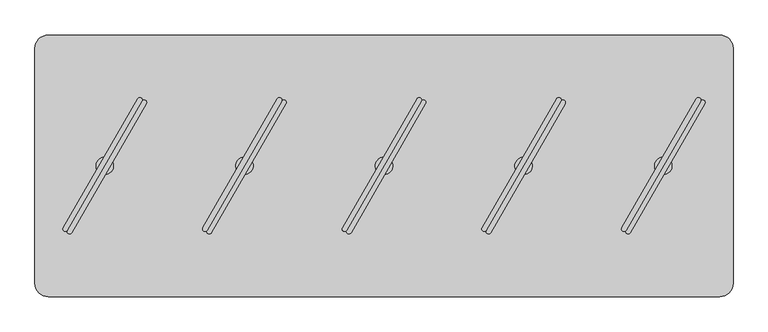
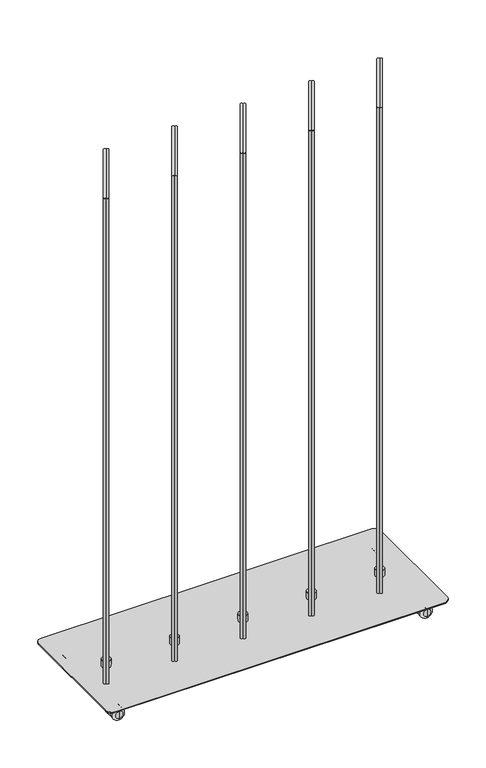
"""IFC4 building model written with IfcOpenShell, lengths in millimetres: furniture geometry."""

from ifc_helpers import new_model, si_unit, point, frame, frame_2d, origin, place, context, project, spatial, polyline, circle_curve, ellipse_curve, trimmed, segment, composite_curve, outline, extrude, source, transform, mapped, element, save
from ifc_brep_helpers import plane_surface, cylinder_surface, revolved_surface, advanced_brep


def furniture_83b708d8(model_context):
    return source(origin(), model_context, "Body", "SolidModel", [
        extrude(outline(composite_curve([segment(polyline([(340.6144903, -160.9427833), (447.2724107, 23.7941539)]), True, "CONTINUOUS"), segment(trimmed(circle_curve(frame_2d((450.3034289, 22.0441947)), 3.4999184), [point((447.2724107, 23.7941539))], [point((453.3344472, 20.2942356))], False, "CARTESIAN"), True, "CONTINUOUS"), segment(polyline([(453.3344472, 20.2942356), (346.6765267, -164.4427017)]), True, "CONTINUOUS"), segment(trimmed(circle_curve(frame_2d((343.6455085, -162.6927425)), 3.4999184), [point((346.6765267, -164.4427017))], [point((340.6144903, -160.9427833))], False, "CARTESIAN"), True, "CONTINUOUS")], self_intersect=False)), frame((0.0, 0.0, 80.7339983), z_axis=(0.0, 0.0, 1.0), x_axis=(1.0, 0.0, 0.0)), (0.0, 0.0, 1.0), 1500.124),
        extrude(outline(composite_curve([segment(trimmed(circle_curve(frame_2d((349.707545, -166.1926609)), 3.4999184), [point((352.7385632, -167.9426201))], [point((346.6765267, -164.4427017))], False, "CARTESIAN"), True, "CONTINUOUS"), segment(polyline([(346.6765267, -164.4427017), (453.3344472, 20.2942356)]), True, "CONTINUOUS"), segment(trimmed(circle_curve(frame_2d((456.3654654, 18.5442764)), 3.4999184), [point((453.3344472, 20.2942356))], [point((459.3964836, 16.7943172))], False, "CARTESIAN"), True, "CONTINUOUS"), segment(polyline([(459.3964836, 16.7943172), (352.7385632, -167.9426201)]), True, "CONTINUOUS")], self_intersect=False)), frame((0.0, 0.0, 80.7339983), z_axis=(0.0, 0.0, 1.0), x_axis=(1.0, 0.0, 0.0)), (0.0, 0.0, 1.0), 1500.124),
        advanced_brep(
        [(399.9992, -84.5709522, 80.7339983), (399.9992, -59.5748171, 80.7339983), (399.9992, -59.5748171, 59.9975986), (399.9992, -84.5709522, 59.9975986), (399.9992, -72.0728847, 80.7339983), (399.9992, -72.0728847, 59.9975986)],
        [
            (0, 1, circle_curve(frame((399.9992, -72.0728847, 80.7339983), z_axis=(0.0, 0.0, -1.0), x_axis=(0.0, 1.0, 0.0)), 12.4980675)),
            (1, 2),
            (2, 3, circle_curve(frame((399.9992, -72.0728847, 59.9975986), z_axis=(0.0, 0.0, 1.0), x_axis=(0.0, 1.0, 0.0)), 12.4980675)),
            (3, 0),
            (4, 1),
            (0, 4),
            (0, 1, circle_curve(frame((399.9992, -72.0728847, 80.7339983), z_axis=(0.0, 0.0, 1.0), x_axis=(0.0, 1.0, 0.0)), 12.4980675)),
            (2, 5),
            (5, 3),
            (2, 3, circle_curve(frame((399.9992, -72.0728847, 59.9975986), z_axis=(0.0, 0.0, -1.0), x_axis=(0.0, 1.0, 0.0)), 12.4980675)),
        ],
        [
            cylinder_surface(frame((399.9992, -72.0728847, 88.2747758), z_axis=(0.0, 0.0, 1.0), x_axis=(0.0, 1.0, 0.0)), 12.4980675),
            plane_surface(frame((399.9992, -72.0728847, 80.7339983), z_axis=(0.0, 0.0, 1.0), x_axis=(0.0, 1.0, 0.0))),
            plane_surface(frame((399.9992, -72.0728847, 59.9975986), z_axis=(0.0, 0.0, -1.0), x_axis=(0.0, 1.0, 0.0))),
        ],
        [
            (0, [[1, 2, 3, 4]]),
            (1, [[5, -1, 6]]),
            (1, [[-6, 7, -5]]),
            (2, [[-3, 8, 9]]),
            (2, [[10, -9, -8]]),
            (0, [[-7, -4, -10, -2]]),
        ],
    ),
        extrude(outline(composite_curve([segment(polyline([(140.6148903, -160.9427833), (247.2728107, 23.7941539)]), True, "CONTINUOUS"), segment(trimmed(circle_curve(frame_2d((250.3038289, 22.0441947)), 3.4999184), [point((247.2728107, 23.7941539))], [point((253.3348472, 20.2942356))], False, "CARTESIAN"), True, "CONTINUOUS"), segment(polyline([(253.3348472, 20.2942356), (146.6769267, -164.4427017)]), True, "CONTINUOUS"), segment(trimmed(circle_curve(frame_2d((143.6459085, -162.6927425)), 3.4999184), [point((146.6769267, -164.4427017))], [point((140.6148903, -160.9427833))], False, "CARTESIAN"), True, "CONTINUOUS")], self_intersect=False)), frame((0.0, 0.0, 80.7339983), z_axis=(0.0, 0.0, 1.0), x_axis=(1.0, 0.0, 0.0)), (0.0, 0.0, 1.0), 1500.124),
        extrude(outline(composite_curve([segment(trimmed(circle_curve(frame_2d((149.707945, -166.1926609)), 3.4999184), [point((152.7389632, -167.9426201))], [point((146.6769267, -164.4427017))], False, "CARTESIAN"), True, "CONTINUOUS"), segment(polyline([(146.6769267, -164.4427017), (253.3348472, 20.2942356)]), True, "CONTINUOUS"), segment(trimmed(circle_curve(frame_2d((256.3658654, 18.5442764)), 3.4999184), [point((253.3348472, 20.2942356))], [point((259.3968836, 16.7943172))], False, "CARTESIAN"), True, "CONTINUOUS"), segment(polyline([(259.3968836, 16.7943172), (152.7389632, -167.9426201)]), True, "CONTINUOUS")], self_intersect=False)), frame((0.0, 0.0, 80.7339983), z_axis=(0.0, 0.0, 1.0), x_axis=(1.0, 0.0, 0.0)), (0.0, 0.0, 1.0), 1500.124),
        advanced_brep(
        [(199.9996, -84.5709522, 80.7339983), (199.9996, -59.5748171, 80.7339983), (199.9996, -59.5748171, 59.9975986), (199.9996, -84.5709522, 59.9975986), (199.9996, -72.0728847, 80.7339983), (199.9996, -72.0728847, 59.9975986)],
        [
            (0, 1, circle_curve(frame((199.9996, -72.0728847, 80.7339983), z_axis=(0.0, 0.0, -1.0), x_axis=(0.0, 1.0, 0.0)), 12.4980675)),
            (1, 2),
            (2, 3, circle_curve(frame((199.9996, -72.0728847, 59.9975986), z_axis=(0.0, 0.0, 1.0), x_axis=(0.0, 1.0, 0.0)), 12.4980675)),
            (3, 0),
            (4, 1),
            (0, 4),
            (0, 1, circle_curve(frame((199.9996, -72.0728847, 80.7339983), z_axis=(0.0, 0.0, 1.0), x_axis=(0.0, 1.0, 0.0)), 12.4980675)),
            (2, 5),
            (5, 3),
            (2, 3, circle_curve(frame((199.9996, -72.0728847, 59.9975986), z_axis=(0.0, 0.0, -1.0), x_axis=(0.0, 1.0, 0.0)), 12.4980675)),
        ],
        [
            cylinder_surface(frame((199.9996, -72.0728847, 88.2747758), z_axis=(0.0, 0.0, 1.0), x_axis=(0.0, 1.0, 0.0)), 12.4980675),
            plane_surface(frame((199.9996, -72.0728847, 80.7339983), z_axis=(0.0, 0.0, 1.0), x_axis=(0.0, 1.0, 0.0))),
            plane_surface(frame((199.9996, -72.0728847, 59.9975986), z_axis=(0.0, 0.0, -1.0), x_axis=(0.0, 1.0, 0.0))),
        ],
        [
            (0, [[1, 2, 3, 4]]),
            (1, [[5, -1, 6]]),
            (1, [[-6, 7, -5]]),
            (2, [[-3, 8, 9]]),
            (2, [[10, -9, -8]]),
            (0, [[-7, -4, -10, -2]]),
        ],
    ),
        extrude(outline(composite_curve([segment(polyline([(-459.3839097, -160.9427833), (-352.7259893, 23.7941539)]), True, "CONTINUOUS"), segment(trimmed(circle_curve(frame_2d((-349.6949711, 22.0441947)), 3.4999184), [point((-352.7259893, 23.7941539))], [point((-346.6639528, 20.2942356))], False, "CARTESIAN"), True, "CONTINUOUS"), segment(polyline([(-346.6639528, 20.2942356), (-453.3218733, -164.4427017)]), True, "CONTINUOUS"), segment(trimmed(circle_curve(frame_2d((-456.3528915, -162.6927425)), 3.4999184), [point((-453.3218733, -164.4427017))], [point((-459.3839097, -160.9427833))], False, "CARTESIAN"), True, "CONTINUOUS")], self_intersect=False)), frame((0.0, 0.0, 80.7339983), z_axis=(0.0, 0.0, 1.0), x_axis=(1.0, 0.0, 0.0)), (0.0, 0.0, 1.0), 1500.124),
        extrude(outline(composite_curve([segment(trimmed(circle_curve(frame_2d((-450.290855, -166.1926609)), 3.4999184), [point((-447.2598368, -167.9426201))], [point((-453.3218733, -164.4427017))], False, "CARTESIAN"), True, "CONTINUOUS"), segment(polyline([(-453.3218733, -164.4427017), (-346.6639528, 20.2942356)]), True, "CONTINUOUS"), segment(trimmed(circle_curve(frame_2d((-343.6329346, 18.5442764)), 3.4999184), [point((-346.6639528, 20.2942356))], [point((-340.6019164, 16.7943172))], False, "CARTESIAN"), True, "CONTINUOUS"), segment(polyline([(-340.6019164, 16.7943172), (-447.2598368, -167.9426201)]), True, "CONTINUOUS")], self_intersect=False)), frame((0.0, 0.0, 80.7339983), z_axis=(0.0, 0.0, 1.0), x_axis=(1.0, 0.0, 0.0)), (0.0, 0.0, 1.0), 1500.124),
        advanced_brep(
        [(-399.9992, -84.5709522, 80.7339983), (-399.9992, -59.5748171, 80.7339983), (-399.9992, -59.5748171, 59.9975986), (-399.9992, -84.5709522, 59.9975986), (-399.9992, -72.0728847, 80.7339983), (-399.9992, -72.0728847, 59.9975986)],
        [
            (0, 1, circle_curve(frame((-399.9992, -72.0728847, 80.7339983), z_axis=(0.0, 0.0, -1.0), x_axis=(0.0, 1.0, 0.0)), 12.4980675)),
            (1, 2),
            (2, 3, circle_curve(frame((-399.9992, -72.0728847, 59.9975986), z_axis=(0.0, 0.0, 1.0), x_axis=(0.0, 1.0, 0.0)), 12.4980675)),
            (3, 0),
            (4, 1),
            (0, 4),
            (0, 1, circle_curve(frame((-399.9992, -72.0728847, 80.7339983), z_axis=(0.0, 0.0, 1.0), x_axis=(0.0, 1.0, 0.0)), 12.4980675)),
            (2, 5),
            (5, 3),
            (2, 3, circle_curve(frame((-399.9992, -72.0728847, 59.9975986), z_axis=(0.0, 0.0, -1.0), x_axis=(0.0, 1.0, 0.0)), 12.4980675)),
        ],
        [
            cylinder_surface(frame((-399.9992, -72.0728847, 88.2747758), z_axis=(0.0, 0.0, 1.0), x_axis=(0.0, 1.0, 0.0)), 12.4980675),
            plane_surface(frame((-399.9992, -72.0728847, 80.7339983), z_axis=(0.0, 0.0, 1.0), x_axis=(0.0, 1.0, 0.0))),
            plane_surface(frame((-399.9992, -72.0728847, 59.9975986), z_axis=(0.0, 0.0, -1.0), x_axis=(0.0, 1.0, 0.0))),
        ],
        [
            (0, [[1, 2, 3, 4]]),
            (1, [[5, -1, 6]]),
            (1, [[-6, 7, -5]]),
            (2, [[-3, 8, 9]]),
            (2, [[10, -9, -8]]),
            (0, [[-7, -4, -10, -2]]),
        ],
    ),
        extrude(outline(composite_curve([segment(polyline([(-59.3847097, -160.9427833), (47.2732107, 23.7941539)]), True, "CONTINUOUS"), segment(trimmed(circle_curve(frame_2d((50.3042289, 22.0441947)), 3.4999184), [point((47.2732107, 23.7941539))], [point((53.3352472, 20.2942356))], False, "CARTESIAN"), True, "CONTINUOUS"), segment(polyline([(53.3352472, 20.2942356), (-53.3226733, -164.4427017)]), True, "CONTINUOUS"), segment(trimmed(circle_curve(frame_2d((-56.3536915, -162.6927425)), 3.4999184), [point((-53.3226733, -164.4427017))], [point((-59.3847097, -160.9427833))], False, "CARTESIAN"), True, "CONTINUOUS")], self_intersect=False)), frame((0.0, 0.0, 80.7339983), z_axis=(0.0, 0.0, 1.0), x_axis=(1.0, 0.0, 0.0)), (0.0, 0.0, 1.0), 1500.124),
        extrude(outline(composite_curve([segment(trimmed(circle_curve(frame_2d((-50.291655, -166.1926609)), 3.4999184), [point((-47.2606368, -167.9426201))], [point((-53.3226733, -164.4427017))], False, "CARTESIAN"), True, "CONTINUOUS"), segment(polyline([(-53.3226733, -164.4427017), (53.3352472, 20.2942356)]), True, "CONTINUOUS"), segment(trimmed(circle_curve(frame_2d((56.3662654, 18.5442764)), 3.4999184), [point((53.3352472, 20.2942356))], [point((59.3972836, 16.7943172))], False, "CARTESIAN"), True, "CONTINUOUS"), segment(polyline([(59.3972836, 16.7943172), (-47.2606368, -167.9426201)]), True, "CONTINUOUS")], self_intersect=False)), frame((0.0, 0.0, 80.7339983), z_axis=(0.0, 0.0, 1.0), x_axis=(1.0, 0.0, 0.0)), (0.0, 0.0, 1.0), 1500.124),
        advanced_brep(
        [(0.0, -84.5709522, 80.7339983), (0.0, -59.5748171, 80.7339983), (0.0, -59.5748171, 59.9975986), (0.0, -84.5709522, 59.9975986), (0.0, -72.0728847, 80.7339983), (0.0, -72.0728847, 59.9975986)],
        [
            (0, 1, circle_curve(frame((0.0, -72.0728847, 80.7339983), z_axis=(0.0, 0.0, -1.0), x_axis=(0.0, 1.0, 0.0)), 12.4980675)),
            (1, 2),
            (2, 3, circle_curve(frame((0.0, -72.0728847, 59.9975986), z_axis=(0.0, 0.0, 1.0), x_axis=(0.0, 1.0, 0.0)), 12.4980675)),
            (3, 0),
            (4, 1),
            (0, 4),
            (0, 1, circle_curve(frame((0.0, -72.0728847, 80.7339983), z_axis=(0.0, 0.0, 1.0), x_axis=(0.0, 1.0, 0.0)), 12.4980675)),
            (2, 5),
            (5, 3),
            (2, 3, circle_curve(frame((0.0, -72.0728847, 59.9975986), z_axis=(0.0, 0.0, -1.0), x_axis=(0.0, 1.0, 0.0)), 12.4980675)),
        ],
        [
            cylinder_surface(frame((0.0, -72.0728847, 88.2747758), z_axis=(0.0, 0.0, 1.0), x_axis=(0.0, 1.0, 0.0)), 12.4980675),
            plane_surface(frame((0.0, -72.0728847, 80.7339983), z_axis=(0.0, 0.0, 1.0), x_axis=(0.0, 1.0, 0.0))),
            plane_surface(frame((0.0, -72.0728847, 59.9975986), z_axis=(0.0, 0.0, -1.0), x_axis=(0.0, 1.0, 0.0))),
        ],
        [
            (0, [[1, 2, 3, 4]]),
            (1, [[5, -1, 6]]),
            (1, [[-6, 7, -5]]),
            (2, [[-3, 8, 9]]),
            (2, [[10, -9, -8]]),
            (0, [[-7, -4, -10, -2]]),
        ],
    ),
        extrude(outline(composite_curve([segment(polyline([(-259.3843097, -160.9427833), (-152.7263893, 23.7941539)]), True, "CONTINUOUS"), segment(trimmed(circle_curve(frame_2d((-149.6953711, 22.0441947)), 3.4999184), [point((-152.7263893, 23.7941539))], [point((-146.6643528, 20.2942356))], False, "CARTESIAN"), True, "CONTINUOUS"), segment(polyline([(-146.6643528, 20.2942356), (-253.3222733, -164.4427017)]), True, "CONTINUOUS"), segment(trimmed(circle_curve(frame_2d((-256.3532915, -162.6927425)), 3.4999184), [point((-253.3222733, -164.4427017))], [point((-259.3843097, -160.9427833))], False, "CARTESIAN"), True, "CONTINUOUS")], self_intersect=False)), frame((0.0, 0.0, 80.7339983), z_axis=(0.0, 0.0, 1.0), x_axis=(1.0, 0.0, 0.0)), (0.0, 0.0, 1.0), 1500.124),
        extrude(outline(composite_curve([segment(trimmed(circle_curve(frame_2d((-250.291255, -166.1926609)), 3.4999184), [point((-247.2602368, -167.9426201))], [point((-253.3222733, -164.4427017))], False, "CARTESIAN"), True, "CONTINUOUS"), segment(polyline([(-253.3222733, -164.4427017), (-146.6643528, 20.2942356)]), True, "CONTINUOUS"), segment(trimmed(circle_curve(frame_2d((-143.6333346, 18.5442764)), 3.4999184), [point((-146.6643528, 20.2942356))], [point((-140.6023164, 16.7943172))], False, "CARTESIAN"), True, "CONTINUOUS"), segment(polyline([(-140.6023164, 16.7943172), (-247.2602368, -167.9426201)]), True, "CONTINUOUS")], self_intersect=False)), frame((0.0, 0.0, 80.7339983), z_axis=(0.0, 0.0, 1.0), x_axis=(1.0, 0.0, 0.0)), (0.0, 0.0, 1.0), 1500.124),
        advanced_brep(
        [(-199.9996, -84.5709522, 80.7339983), (-199.9996, -59.5748171, 80.7339983), (-199.9996, -59.5748171, 59.9975986), (-199.9996, -84.5709522, 59.9975986), (-199.9996, -72.0728847, 80.7339983), (-199.9996, -72.0728847, 59.9975986)],
        [
            (0, 1, circle_curve(frame((-199.9996, -72.0728847, 80.7339983), z_axis=(0.0, 0.0, -1.0), x_axis=(0.0, 1.0, 0.0)), 12.4980675)),
            (1, 2),
            (2, 3, circle_curve(frame((-199.9996, -72.0728847, 59.9975986), z_axis=(0.0, 0.0, 1.0), x_axis=(0.0, 1.0, 0.0)), 12.4980675)),
            (3, 0),
            (4, 1),
            (0, 4),
            (0, 1, circle_curve(frame((-199.9996, -72.0728847, 80.7339983), z_axis=(0.0, 0.0, 1.0), x_axis=(0.0, 1.0, 0.0)), 12.4980675)),
            (2, 5),
            (5, 3),
            (2, 3, circle_curve(frame((-199.9996, -72.0728847, 59.9975986), z_axis=(0.0, 0.0, -1.0), x_axis=(0.0, 1.0, 0.0)), 12.4980675)),
        ],
        [
            cylinder_surface(frame((-199.9996, -72.0728847, 88.2747758), z_axis=(0.0, 0.0, 1.0), x_axis=(0.0, 1.0, 0.0)), 12.4980675),
            plane_surface(frame((-199.9996, -72.0728847, 80.7339983), z_axis=(0.0, 0.0, 1.0), x_axis=(0.0, 1.0, 0.0))),
            plane_surface(frame((-199.9996, -72.0728847, 59.9975986), z_axis=(0.0, 0.0, -1.0), x_axis=(0.0, 1.0, 0.0))),
        ],
        [
            (0, [[1, 2, 3, 4]]),
            (1, [[5, -1, 6]]),
            (1, [[-6, 7, -5]]),
            (2, [[-3, 8, 9]]),
            (2, [[10, -9, -8]]),
            (0, [[-7, -4, -10, -2]]),
        ],
    ),
        advanced_brep(
        [(450.0227698, -206.2418204, 45.0000013), (450.0227698, -203.51056, 45.0000013), (450.0227698, -208.9730808, 45.0000013), (450.0227698, -208.9730808, 20.9698569), (450.0227698, -203.51056, 20.9698569), (450.0227698, -206.2418204, 20.9698569)],
        [
            (0, 1),
            (1, 2, circle_curve(frame((450.0227698, -206.2418204, 45.0000013), z_axis=(0.0, 0.0, 1.0), x_axis=(0.0, 1.0, 0.0)), 2.7312604)),
            (2, 0),
            (2, 1, circle_curve(frame((450.0227698, -206.2418204, 45.0000013), z_axis=(0.0, 0.0, 1.0), x_axis=(0.0, 1.0, 0.0)), 2.7312604)),
            (3, 4, circle_curve(frame((450.0227698, -206.2418204, 20.9698569), z_axis=(0.0, 0.0, -1.0), x_axis=(0.0, 1.0, 0.0)), 2.7312604)),
            (4, 5),
            (5, 3),
            (4, 3, circle_curve(frame((450.0227698, -206.2418204, 20.9698569), z_axis=(0.0, 0.0, -1.0), x_axis=(0.0, 1.0, 0.0)), 2.7312604)),
            (1, 4),
            (3, 2),
        ],
        [
            plane_surface(frame((450.0227698, -206.2418204, 45.0000013), z_axis=(0.0, 0.0, 1.0), x_axis=(0.0, 1.0, 0.0))),
            plane_surface(frame((450.0227698, -206.2418204, 20.9698569), z_axis=(0.0, 0.0, -1.0), x_axis=(0.0, 1.0, 0.0))),
            cylinder_surface(frame((450.0227698, -206.2418204, 53.5051757), z_axis=(0.0, 0.0, 1.0), x_axis=(0.0, 1.0, 0.0)), 2.7312604),
        ],
        [
            (0, [[1, 2, 3]]),
            (0, [[-3, 4, -1]]),
            (1, [[5, 6, 7]]),
            (1, [[8, -7, -6]]),
            (2, [[-2, 9, -5, 10]]),
            (2, [[-4, -10, -8, -9]]),
        ],
    ),
        advanced_brep(
        [(450.0227698, -187.2418219, 6.35), (450.0227698, -187.2418219, 29.650001), (450.0227698, -187.2418219, 18.0000005), (450.0227698, -193.5918219, 0.0), (450.0227698, -193.5918219, 36.000001), (450.0227698, -199.2418207, 0.0), (450.0227698, -199.2418207, 36.000001), (450.0227698, -199.2418207, 11.0000008), (450.0227698, -199.2418207, 25.0000002), (450.0227698, -213.2418246, 11.0000008), (450.0227698, -213.2418246, 25.0000002), (450.0227698, -213.2418246, 0.0), (450.0227698, -213.2418246, 36.000001), (450.0227698, -218.8918189, 0.0), (450.0227698, -218.8918189, 36.000001), (450.0227698, -225.2418189, 6.35), (450.0227698, -225.2418189, 29.650001), (450.0227698, -225.2418189, 18.0000005)],
        [
            (0, 1, circle_curve(frame((450.0227698, -187.2418219, 18.0000005), z_axis=(0.0, 1.0, 0.0), x_axis=(0.0, 0.0, 1.0)), 11.6500005)),
            (1, 2),
            (2, 0),
            (1, 0, circle_curve(frame((450.0227698, -187.2418219, 18.0000005), z_axis=(0.0, 1.0, 0.0), x_axis=(0.0, 0.0, 1.0)), 11.6500005)),
            (3, 4, circle_curve(frame((450.0227698, -193.5918219, 18.0000005), z_axis=(0.0, 1.0, 0.0), x_axis=(0.0, 0.0, 1.0)), 18.0000005)),
            (4, 1, circle_curve(frame((450.0227698, -193.5918219, 29.650001), z_axis=(-1.0, 0.0, 0.0), x_axis=(0.0, 1.0, 0.0)), 6.35)),
            (0, 3, circle_curve(frame((450.0227698, -193.5918219, 6.35), z_axis=(-1.0, 0.0, 0.0), x_axis=(0.0, 1.0, 0.0)), 6.35)),
            (4, 3, circle_curve(frame((450.0227698, -193.5918219, 18.0000005), z_axis=(0.0, 1.0, 0.0), x_axis=(0.0, 0.0, 1.0)), 18.0000005)),
            (5, 6, circle_curve(frame((450.0227698, -199.2418207, 18.0000005), z_axis=(0.0, 1.0, 0.0), x_axis=(0.0, 0.0, 1.0)), 18.0000005)),
            (6, 4),
            (3, 5),
            (6, 5, circle_curve(frame((450.0227698, -199.2418207, 18.0000005), z_axis=(0.0, 1.0, 0.0), x_axis=(0.0, 0.0, 1.0)), 18.0000005)),
            (7, 8, circle_curve(frame((450.0227698, -199.2418207, 18.0000005), z_axis=(0.0, 1.0, 0.0), x_axis=(0.0, 0.0, 1.0)), 6.9999997)),
            (8, 6),
            (5, 7),
            (8, 7, circle_curve(frame((450.0227698, -199.2418207, 18.0000005), z_axis=(0.0, 1.0, 0.0), x_axis=(0.0, 0.0, 1.0)), 6.9999997)),
            (9, 10, circle_curve(frame((450.0227698, -213.2418246, 18.0000005), z_axis=(0.0, 1.0, 0.0), x_axis=(0.0, 0.0, 1.0)), 6.9999997)),
            (10, 8),
            (7, 9),
            (10, 9, circle_curve(frame((450.0227698, -213.2418246, 18.0000005), z_axis=(0.0, 1.0, 0.0), x_axis=(0.0, 0.0, 1.0)), 6.9999997)),
            (11, 12, circle_curve(frame((450.0227698, -213.2418246, 18.0000005), z_axis=(0.0, 1.0, 0.0), x_axis=(0.0, 0.0, 1.0)), 18.0000005)),
            (12, 10),
            (9, 11),
            (12, 11, circle_curve(frame((450.0227698, -213.2418246, 18.0000005), z_axis=(0.0, 1.0, 0.0), x_axis=(0.0, 0.0, 1.0)), 18.0000005)),
            (13, 14, circle_curve(frame((450.0227698, -218.8918189, 18.0000005), z_axis=(0.0, 1.0, 0.0), x_axis=(0.0, 0.0, 1.0)), 18.0000005)),
            (14, 12),
            (11, 13),
            (14, 13, circle_curve(frame((450.0227698, -218.8918189, 18.0000005), z_axis=(0.0, 1.0, 0.0), x_axis=(0.0, 0.0, 1.0)), 18.0000005)),
            (15, 16, circle_curve(frame((450.0227698, -225.2418189, 18.0000005), z_axis=(0.0, 1.0, 0.0), x_axis=(0.0, 0.0, 1.0)), 11.6500005)),
            (16, 14, circle_curve(frame((450.0227698, -218.8918189, 29.650001), z_axis=(-1.0, 0.0, 0.0), x_axis=(0.0, 1.0, 0.0)), 6.35)),
            (13, 15, circle_curve(frame((450.0227698, -218.8918189, 6.35), z_axis=(-1.0, 0.0, 0.0), x_axis=(0.0, 1.0, 0.0)), 6.35)),
            (16, 15, circle_curve(frame((450.0227698, -225.2418189, 18.0000005), z_axis=(0.0, 1.0, 0.0), x_axis=(0.0, 0.0, 1.0)), 11.6500005)),
            (17, 16),
            (15, 17),
        ],
        [
            plane_surface(frame((450.0227698, -187.2418219, 18.0000005), z_axis=(0.0, 1.0, 0.0), x_axis=(0.0, 0.0, 1.0))),
            revolved_surface(trimmed(ellipse_curve(frame((450.0227698, -193.5918219, 29.650001), z_axis=(1.0, 0.0, 0.0), x_axis=(0.0, 1.0, 0.0)), 6.35, 6.35), [point((450.0227698, -187.2418219, 29.650001))], [point((450.0227698, -193.5918219, 36.000001))], True, "CARTESIAN"), (450.0227698, -263.3418189, 18.0000005), (0.0, -1.0, 0.0)),
            cylinder_surface(frame((450.0227698, -263.3418189, 18.0000005), z_axis=(0.0, -1.0, 0.0), x_axis=(0.0, 0.0, 1.0)), 18.0000005),
            plane_surface(frame((450.0227698, -199.2418207, 18.0000005), z_axis=(0.0, -1.0, 0.0), x_axis=(0.0, 0.0, 1.0))),
            cylinder_surface(frame((450.0227698, -263.3418189, 18.0000005), z_axis=(0.0, -1.0, 0.0), x_axis=(0.0, 0.0, 1.0)), 6.9999997),
            plane_surface(frame((450.0227698, -213.2418246, 18.0000005), z_axis=(0.0, 1.0, 0.0), x_axis=(0.0, 0.0, 1.0))),
            revolved_surface(trimmed(ellipse_curve(frame((450.0227698, -218.8918189, 29.650001), z_axis=(1.0, 0.0, 0.0), x_axis=(0.0, 1.0, 0.0)), 6.35, 6.35), [point((450.0227698, -218.8918189, 36.000001))], [point((450.0227698, -225.2418189, 29.650001))], True, "CARTESIAN"), (450.0227698, -263.3418189, 18.0000005), (0.0, -1.0, 0.0)),
            plane_surface(frame((450.0227698, -225.2418189, 18.0000005), z_axis=(0.0, -1.0, 0.0), x_axis=(0.0, 0.0, 1.0))),
        ],
        [
            (0, [[1, 2, 3]]),
            (0, [[4, -3, -2]]),
            (1, [[5, 6, -1, 7]]),
            (1, [[8, -7, -4, -6]]),
            (2, [[9, 10, -5, 11]]),
            (2, [[12, -11, -8, -10]]),
            (3, [[13, 14, -9, 15]]),
            (3, [[16, -15, -12, -14]]),
            (4, [[17, 18, -13, 19]]),
            (4, [[20, -19, -16, -18]]),
            (5, [[21, 22, -17, 23]]),
            (5, [[24, -23, -20, -22]]),
            (2, [[25, 26, -21, 27]]),
            (2, [[28, -27, -24, -26]]),
            (6, [[29, 30, -25, 31]]),
            (6, [[32, -31, -28, -30]]),
            (7, [[33, -29, 34]]),
            (7, [[-34, -32, -33]]),
        ],
    ),
        advanced_brep(
        [(450.0227698, 62.0960511, 45.0000013), (450.0227698, 64.8273115, 45.0000013), (450.0227698, 59.3647906, 45.0000013), (450.0227698, 59.3647906, 20.9698569), (450.0227698, 64.8273115, 20.9698569), (450.0227698, 62.0960511, 20.9698569)],
        [
            (0, 1),
            (1, 2, circle_curve(frame((450.0227698, 62.0960511, 45.0000013), z_axis=(0.0, 0.0, 1.0), x_axis=(0.0, 1.0, 0.0)), 2.7312604)),
            (2, 0),
            (2, 1, circle_curve(frame((450.0227698, 62.0960511, 45.0000013), z_axis=(0.0, 0.0, 1.0), x_axis=(0.0, 1.0, 0.0)), 2.7312604)),
            (3, 4, circle_curve(frame((450.0227698, 62.0960511, 20.9698569), z_axis=(0.0, 0.0, -1.0), x_axis=(0.0, 1.0, 0.0)), 2.7312604)),
            (4, 5),
            (5, 3),
            (4, 3, circle_curve(frame((450.0227698, 62.0960511, 20.9698569), z_axis=(0.0, 0.0, -1.0), x_axis=(0.0, 1.0, 0.0)), 2.7312604)),
            (1, 4),
            (3, 2),
        ],
        [
            plane_surface(frame((450.0227698, 62.0960511, 45.0000013), z_axis=(0.0, 0.0, 1.0), x_axis=(0.0, 1.0, 0.0))),
            plane_surface(frame((450.0227698, 62.0960511, 20.9698569), z_axis=(0.0, 0.0, -1.0), x_axis=(0.0, 1.0, 0.0))),
            cylinder_surface(frame((450.0227698, 62.0960511, 53.5051757), z_axis=(0.0, 0.0, 1.0), x_axis=(0.0, 1.0, 0.0)), 2.7312604),
        ],
        [
            (0, [[1, 2, 3]]),
            (0, [[-3, 4, -1]]),
            (1, [[5, 6, 7]]),
            (1, [[8, -7, -6]]),
            (2, [[-2, 9, -5, 10]]),
            (2, [[-4, -10, -8, -9]]),
        ],
    ),
        advanced_brep(
        [(450.0227698, 81.0960496, 6.35), (450.0227698, 81.0960496, 29.650001), (450.0227698, 81.0960496, 18.0000005), (450.0227698, 74.7460496, 0.0), (450.0227698, 74.7460496, 36.000001), (450.0227698, 69.0960507, 0.0), (450.0227698, 69.0960507, 36.000001), (450.0227698, 69.0960507, 11.0000008), (450.0227698, 69.0960507, 25.0000002), (450.0227698, 55.0960468, 11.0000008), (450.0227698, 55.0960468, 25.0000002), (450.0227698, 55.0960468, 0.0), (450.0227698, 55.0960468, 36.000001), (450.0227698, 49.4460525, 0.0), (450.0227698, 49.4460525, 36.000001), (450.0227698, 43.0960525, 6.35), (450.0227698, 43.0960525, 29.650001), (450.0227698, 43.0960525, 18.0000005)],
        [
            (0, 1, circle_curve(frame((450.0227698, 81.0960496, 18.0000005), z_axis=(0.0, 1.0, 0.0), x_axis=(0.0, 0.0, 1.0)), 11.6500005)),
            (1, 2),
            (2, 0),
            (1, 0, circle_curve(frame((450.0227698, 81.0960496, 18.0000005), z_axis=(0.0, 1.0, 0.0), x_axis=(0.0, 0.0, 1.0)), 11.6500005)),
            (3, 4, circle_curve(frame((450.0227698, 74.7460496, 18.0000005), z_axis=(0.0, 1.0, 0.0), x_axis=(0.0, 0.0, 1.0)), 18.0000005)),
            (4, 1, circle_curve(frame((450.0227698, 74.7460496, 29.650001), z_axis=(-1.0, 0.0, 0.0), x_axis=(0.0, 1.0, 0.0)), 6.35)),
            (0, 3, circle_curve(frame((450.0227698, 74.7460496, 6.35), z_axis=(-1.0, 0.0, 0.0), x_axis=(0.0, 1.0, 0.0)), 6.35)),
            (4, 3, circle_curve(frame((450.0227698, 74.7460496, 18.0000005), z_axis=(0.0, 1.0, 0.0), x_axis=(0.0, 0.0, 1.0)), 18.0000005)),
            (5, 6, circle_curve(frame((450.0227698, 69.0960507, 18.0000005), z_axis=(0.0, 1.0, 0.0), x_axis=(0.0, 0.0, 1.0)), 18.0000005)),
            (6, 4),
            (3, 5),
            (6, 5, circle_curve(frame((450.0227698, 69.0960507, 18.0000005), z_axis=(0.0, 1.0, 0.0), x_axis=(0.0, 0.0, 1.0)), 18.0000005)),
            (7, 8, circle_curve(frame((450.0227698, 69.0960507, 18.0000005), z_axis=(0.0, 1.0, 0.0), x_axis=(0.0, 0.0, 1.0)), 6.9999997)),
            (8, 6),
            (5, 7),
            (8, 7, circle_curve(frame((450.0227698, 69.0960507, 18.0000005), z_axis=(0.0, 1.0, 0.0), x_axis=(0.0, 0.0, 1.0)), 6.9999997)),
            (9, 10, circle_curve(frame((450.0227698, 55.0960468, 18.0000005), z_axis=(0.0, 1.0, 0.0), x_axis=(0.0, 0.0, 1.0)), 6.9999997)),
            (10, 8),
            (7, 9),
            (10, 9, circle_curve(frame((450.0227698, 55.0960468, 18.0000005), z_axis=(0.0, 1.0, 0.0), x_axis=(0.0, 0.0, 1.0)), 6.9999997)),
            (11, 12, circle_curve(frame((450.0227698, 55.0960468, 18.0000005), z_axis=(0.0, 1.0, 0.0), x_axis=(0.0, 0.0, 1.0)), 18.0000005)),
            (12, 10),
            (9, 11),
            (12, 11, circle_curve(frame((450.0227698, 55.0960468, 18.0000005), z_axis=(0.0, 1.0, 0.0), x_axis=(0.0, 0.0, 1.0)), 18.0000005)),
            (13, 14, circle_curve(frame((450.0227698, 49.4460525, 18.0000005), z_axis=(0.0, 1.0, 0.0), x_axis=(0.0, 0.0, 1.0)), 18.0000005)),
            (14, 12),
            (11, 13),
            (14, 13, circle_curve(frame((450.0227698, 49.4460525, 18.0000005), z_axis=(0.0, 1.0, 0.0), x_axis=(0.0, 0.0, 1.0)), 18.0000005)),
            (15, 16, circle_curve(frame((450.0227698, 43.0960525, 18.0000005), z_axis=(0.0, 1.0, 0.0), x_axis=(0.0, 0.0, 1.0)), 11.6500005)),
            (16, 14, circle_curve(frame((450.0227698, 49.4460525, 29.650001), z_axis=(-1.0, 0.0, 0.0), x_axis=(0.0, 1.0, 0.0)), 6.35)),
            (13, 15, circle_curve(frame((450.0227698, 49.4460525, 6.35), z_axis=(-1.0, 0.0, 0.0), x_axis=(0.0, 1.0, 0.0)), 6.35)),
            (16, 15, circle_curve(frame((450.0227698, 43.0960525, 18.0000005), z_axis=(0.0, 1.0, 0.0), x_axis=(0.0, 0.0, 1.0)), 11.6500005)),
            (17, 16),
            (15, 17),
        ],
        [
            plane_surface(frame((450.0227698, 81.0960496, 18.0000005), z_axis=(0.0, 1.0, 0.0), x_axis=(0.0, 0.0, 1.0))),
            revolved_surface(trimmed(ellipse_curve(frame((450.0227698, 74.7460496, 29.650001), z_axis=(1.0, 0.0, 0.0), x_axis=(0.0, 1.0, 0.0)), 6.35, 6.35), [point((450.0227698, 81.0960496, 29.650001))], [point((450.0227698, 74.7460496, 36.000001))], True, "CARTESIAN"), (450.0227698, 4.9960525, 18.0000005), (0.0, -1.0, 0.0)),
            cylinder_surface(frame((450.0227698, 4.9960525, 18.0000005), z_axis=(0.0, -1.0, 0.0), x_axis=(0.0, 0.0, 1.0)), 18.0000005),
            plane_surface(frame((450.0227698, 69.0960507, 18.0000005), z_axis=(0.0, -1.0, 0.0), x_axis=(0.0, 0.0, 1.0))),
            cylinder_surface(frame((450.0227698, 4.9960525, 18.0000005), z_axis=(0.0, -1.0, 0.0), x_axis=(0.0, 0.0, 1.0)), 6.9999997),
            plane_surface(frame((450.0227698, 55.0960468, 18.0000005), z_axis=(0.0, 1.0, 0.0), x_axis=(0.0, 0.0, 1.0))),
            revolved_surface(trimmed(ellipse_curve(frame((450.0227698, 49.4460525, 29.650001), z_axis=(1.0, 0.0, 0.0), x_axis=(0.0, 1.0, 0.0)), 6.35, 6.35), [point((450.0227698, 49.4460525, 36.000001))], [point((450.0227698, 43.0960525, 29.650001))], True, "CARTESIAN"), (450.0227698, 4.9960525, 18.0000005), (0.0, -1.0, 0.0)),
            plane_surface(frame((450.0227698, 43.0960525, 18.0000005), z_axis=(0.0, -1.0, 0.0), x_axis=(0.0, 0.0, 1.0))),
        ],
        [
            (0, [[1, 2, 3]]),
            (0, [[4, -3, -2]]),
            (1, [[5, 6, -1, 7]]),
            (1, [[8, -7, -4, -6]]),
            (2, [[9, 10, -5, 11]]),
            (2, [[12, -11, -8, -10]]),
            (3, [[13, 14, -9, 15]]),
            (3, [[16, -15, -12, -14]]),
            (4, [[17, 18, -13, 19]]),
            (4, [[20, -19, -16, -18]]),
            (5, [[21, 22, -17, 23]]),
            (5, [[24, -23, -20, -22]]),
            (2, [[25, 26, -21, 27]]),
            (2, [[28, -27, -24, -26]]),
            (6, [[29, 30, -25, 31]]),
            (6, [[32, -31, -28, -30]]),
            (7, [[33, -29, 34]]),
            (7, [[-34, -32, -33]]),
        ],
    ),
        advanced_brep(
        [(-450.0227698, 62.0960511, 45.0000013), (-450.0227698, 64.8273115, 45.0000013), (-450.0227698, 59.3647906, 45.0000013), (-450.0227698, 59.3647906, 20.9698569), (-450.0227698, 64.8273115, 20.9698569), (-450.0227698, 62.0960511, 20.9698569)],
        [
            (0, 1),
            (1, 2, circle_curve(frame((-450.0227698, 62.0960511, 45.0000013), z_axis=(0.0, 0.0, 1.0), x_axis=(0.0, 1.0, 0.0)), 2.7312604)),
            (2, 0),
            (2, 1, circle_curve(frame((-450.0227698, 62.0960511, 45.0000013), z_axis=(0.0, 0.0, 1.0), x_axis=(0.0, 1.0, 0.0)), 2.7312604)),
            (3, 4, circle_curve(frame((-450.0227698, 62.0960511, 20.9698569), z_axis=(0.0, 0.0, -1.0), x_axis=(0.0, 1.0, 0.0)), 2.7312604)),
            (4, 5),
            (5, 3),
            (4, 3, circle_curve(frame((-450.0227698, 62.0960511, 20.9698569), z_axis=(0.0, 0.0, -1.0), x_axis=(0.0, 1.0, 0.0)), 2.7312604)),
            (1, 4),
            (3, 2),
        ],
        [
            plane_surface(frame((-450.0227698, 62.0960511, 45.0000013), z_axis=(0.0, 0.0, 1.0), x_axis=(0.0, 1.0, 0.0))),
            plane_surface(frame((-450.0227698, 62.0960511, 20.9698569), z_axis=(0.0, 0.0, -1.0), x_axis=(0.0, 1.0, 0.0))),
            cylinder_surface(frame((-450.0227698, 62.0960511, 53.5051757), z_axis=(0.0, 0.0, 1.0), x_axis=(0.0, 1.0, 0.0)), 2.7312604),
        ],
        [
            (0, [[1, 2, 3]]),
            (0, [[-3, 4, -1]]),
            (1, [[5, 6, 7]]),
            (1, [[8, -7, -6]]),
            (2, [[-2, 9, -5, 10]]),
            (2, [[-4, -10, -8, -9]]),
        ],
    ),
        advanced_brep(
        [(-450.0227698, 81.0960496, 6.35), (-450.0227698, 81.0960496, 29.650001), (-450.0227698, 81.0960496, 18.0000005), (-450.0227698, 74.7460496, 0.0), (-450.0227698, 74.7460496, 36.000001), (-450.0227698, 69.0960507, 0.0), (-450.0227698, 69.0960507, 36.000001), (-450.0227698, 69.0960507, 11.0000008), (-450.0227698, 69.0960507, 25.0000002), (-450.0227698, 55.0960468, 11.0000008), (-450.0227698, 55.0960468, 25.0000002), (-450.0227698, 55.0960468, 0.0), (-450.0227698, 55.0960468, 36.000001), (-450.0227698, 49.4460525, 0.0), (-450.0227698, 49.4460525, 36.000001), (-450.0227698, 43.0960525, 6.35), (-450.0227698, 43.0960525, 29.650001), (-450.0227698, 43.0960525, 18.0000005)],
        [
            (0, 1, circle_curve(frame((-450.0227698, 81.0960496, 18.0000005), z_axis=(0.0, 1.0, 0.0), x_axis=(0.0, 0.0, 1.0)), 11.6500005)),
            (1, 2),
            (2, 0),
            (1, 0, circle_curve(frame((-450.0227698, 81.0960496, 18.0000005), z_axis=(0.0, 1.0, 0.0), x_axis=(0.0, 0.0, 1.0)), 11.6500005)),
            (3, 4, circle_curve(frame((-450.0227698, 74.7460496, 18.0000005), z_axis=(0.0, 1.0, 0.0), x_axis=(0.0, 0.0, 1.0)), 18.0000005)),
            (4, 1, circle_curve(frame((-450.0227698, 74.7460496, 29.650001), z_axis=(-1.0, 0.0, 0.0), x_axis=(0.0, 1.0, 0.0)), 6.35)),
            (0, 3, circle_curve(frame((-450.0227698, 74.7460496, 6.35), z_axis=(-1.0, 0.0, 0.0), x_axis=(0.0, 1.0, 0.0)), 6.35)),
            (4, 3, circle_curve(frame((-450.0227698, 74.7460496, 18.0000005), z_axis=(0.0, 1.0, 0.0), x_axis=(0.0, 0.0, 1.0)), 18.0000005)),
            (5, 6, circle_curve(frame((-450.0227698, 69.0960507, 18.0000005), z_axis=(0.0, 1.0, 0.0), x_axis=(0.0, 0.0, 1.0)), 18.0000005)),
            (6, 4),
            (3, 5),
            (6, 5, circle_curve(frame((-450.0227698, 69.0960507, 18.0000005), z_axis=(0.0, 1.0, 0.0), x_axis=(0.0, 0.0, 1.0)), 18.0000005)),
            (7, 8, circle_curve(frame((-450.0227698, 69.0960507, 18.0000005), z_axis=(0.0, 1.0, 0.0), x_axis=(0.0, 0.0, 1.0)), 6.9999997)),
            (8, 6),
            (5, 7),
            (8, 7, circle_curve(frame((-450.0227698, 69.0960507, 18.0000005), z_axis=(0.0, 1.0, 0.0), x_axis=(0.0, 0.0, 1.0)), 6.9999997)),
            (9, 10, circle_curve(frame((-450.0227698, 55.0960468, 18.0000005), z_axis=(0.0, 1.0, 0.0), x_axis=(0.0, 0.0, 1.0)), 6.9999997)),
            (10, 8),
            (7, 9),
            (10, 9, circle_curve(frame((-450.0227698, 55.0960468, 18.0000005), z_axis=(0.0, 1.0, 0.0), x_axis=(0.0, 0.0, 1.0)), 6.9999997)),
            (11, 12, circle_curve(frame((-450.0227698, 55.0960468, 18.0000005), z_axis=(0.0, 1.0, 0.0), x_axis=(0.0, 0.0, 1.0)), 18.0000005)),
            (12, 10),
            (9, 11),
            (12, 11, circle_curve(frame((-450.0227698, 55.0960468, 18.0000005), z_axis=(0.0, 1.0, 0.0), x_axis=(0.0, 0.0, 1.0)), 18.0000005)),
            (13, 14, circle_curve(frame((-450.0227698, 49.4460525, 18.0000005), z_axis=(0.0, 1.0, 0.0), x_axis=(0.0, 0.0, 1.0)), 18.0000005)),
            (14, 12),
            (11, 13),
            (14, 13, circle_curve(frame((-450.0227698, 49.4460525, 18.0000005), z_axis=(0.0, 1.0, 0.0), x_axis=(0.0, 0.0, 1.0)), 18.0000005)),
            (15, 16, circle_curve(frame((-450.0227698, 43.0960525, 18.0000005), z_axis=(0.0, 1.0, 0.0), x_axis=(0.0, 0.0, 1.0)), 11.6500005)),
            (16, 14, circle_curve(frame((-450.0227698, 49.4460525, 29.650001), z_axis=(-1.0, 0.0, 0.0), x_axis=(0.0, 1.0, 0.0)), 6.35)),
            (13, 15, circle_curve(frame((-450.0227698, 49.4460525, 6.35), z_axis=(-1.0, 0.0, 0.0), x_axis=(0.0, 1.0, 0.0)), 6.35)),
            (16, 15, circle_curve(frame((-450.0227698, 43.0960525, 18.0000005), z_axis=(0.0, 1.0, 0.0), x_axis=(0.0, 0.0, 1.0)), 11.6500005)),
            (17, 16),
            (15, 17),
        ],
        [
            plane_surface(frame((-450.0227698, 81.0960496, 18.0000005), z_axis=(0.0, 1.0, 0.0), x_axis=(0.0, 0.0, 1.0))),
            revolved_surface(trimmed(ellipse_curve(frame((-450.0227698, 74.7460496, 29.650001), z_axis=(1.0, 0.0, 0.0), x_axis=(0.0, 1.0, 0.0)), 6.35, 6.35), [point((-450.0227698, 81.0960496, 29.650001))], [point((-450.0227698, 74.7460496, 36.000001))], True, "CARTESIAN"), (-450.0227698, 4.9960525, 18.0000005), (0.0, -1.0, 0.0)),
            cylinder_surface(frame((-450.0227698, 4.9960525, 18.0000005), z_axis=(0.0, -1.0, 0.0), x_axis=(0.0, 0.0, 1.0)), 18.0000005),
            plane_surface(frame((-450.0227698, 69.0960507, 18.0000005), z_axis=(0.0, -1.0, 0.0), x_axis=(0.0, 0.0, 1.0))),
            cylinder_surface(frame((-450.0227698, 4.9960525, 18.0000005), z_axis=(0.0, -1.0, 0.0), x_axis=(0.0, 0.0, 1.0)), 6.9999997),
            plane_surface(frame((-450.0227698, 55.0960468, 18.0000005), z_axis=(0.0, 1.0, 0.0), x_axis=(0.0, 0.0, 1.0))),
            revolved_surface(trimmed(ellipse_curve(frame((-450.0227698, 49.4460525, 29.650001), z_axis=(1.0, 0.0, 0.0), x_axis=(0.0, 1.0, 0.0)), 6.35, 6.35), [point((-450.0227698, 49.4460525, 36.000001))], [point((-450.0227698, 43.0960525, 29.650001))], True, "CARTESIAN"), (-450.0227698, 4.9960525, 18.0000005), (0.0, -1.0, 0.0)),
            plane_surface(frame((-450.0227698, 43.0960525, 18.0000005), z_axis=(0.0, -1.0, 0.0), x_axis=(0.0, 0.0, 1.0))),
        ],
        [
            (0, [[1, 2, 3]]),
            (0, [[4, -3, -2]]),
            (1, [[5, 6, -1, 7]]),
            (1, [[8, -7, -4, -6]]),
            (2, [[9, 10, -5, 11]]),
            (2, [[12, -11, -8, -10]]),
            (3, [[13, 14, -9, 15]]),
            (3, [[16, -15, -12, -14]]),
            (4, [[17, 18, -13, 19]]),
            (4, [[20, -19, -16, -18]]),
            (5, [[21, 22, -17, 23]]),
            (5, [[24, -23, -20, -22]]),
            (2, [[25, 26, -21, 27]]),
            (2, [[28, -27, -24, -26]]),
            (6, [[29, 30, -25, 31]]),
            (6, [[32, -31, -28, -30]]),
            (7, [[33, -29, 34]]),
            (7, [[-34, -32, -33]]),
        ],
    ),
        advanced_brep(
        [(-450.0227698, -206.2418204, 45.0000013), (-450.0227698, -203.51056, 45.0000013), (-450.0227698, -208.9730808, 45.0000013), (-450.0227698, -208.9730808, 20.9698569), (-450.0227698, -203.51056, 20.9698569), (-450.0227698, -206.2418204, 20.9698569)],
        [
            (0, 1),
            (1, 2, circle_curve(frame((-450.0227698, -206.2418204, 45.0000013), z_axis=(0.0, 0.0, 1.0), x_axis=(0.0, 1.0, 0.0)), 2.7312604)),
            (2, 0),
            (2, 1, circle_curve(frame((-450.0227698, -206.2418204, 45.0000013), z_axis=(0.0, 0.0, 1.0), x_axis=(0.0, 1.0, 0.0)), 2.7312604)),
            (3, 4, circle_curve(frame((-450.0227698, -206.2418204, 20.9698569), z_axis=(0.0, 0.0, -1.0), x_axis=(0.0, 1.0, 0.0)), 2.7312604)),
            (4, 5),
            (5, 3),
            (4, 3, circle_curve(frame((-450.0227698, -206.2418204, 20.9698569), z_axis=(0.0, 0.0, -1.0), x_axis=(0.0, 1.0, 0.0)), 2.7312604)),
            (1, 4),
            (3, 2),
        ],
        [
            plane_surface(frame((-450.0227698, -206.2418204, 45.0000013), z_axis=(0.0, 0.0, 1.0), x_axis=(0.0, 1.0, 0.0))),
            plane_surface(frame((-450.0227698, -206.2418204, 20.9698569), z_axis=(0.0, 0.0, -1.0), x_axis=(0.0, 1.0, 0.0))),
            cylinder_surface(frame((-450.0227698, -206.2418204, 53.5051757), z_axis=(0.0, 0.0, 1.0), x_axis=(0.0, 1.0, 0.0)), 2.7312604),
        ],
        [
            (0, [[1, 2, 3]]),
            (0, [[-3, 4, -1]]),
            (1, [[5, 6, 7]]),
            (1, [[8, -7, -6]]),
            (2, [[-2, 9, -5, 10]]),
            (2, [[-4, -10, -8, -9]]),
        ],
    ),
        advanced_brep(
        [(-450.0227698, -187.2418219, 6.35), (-450.0227698, -187.2418219, 29.650001), (-450.0227698, -187.2418219, 18.0000005), (-450.0227698, -193.5918219, 0.0), (-450.0227698, -193.5918219, 36.000001), (-450.0227698, -199.2418207, 0.0), (-450.0227698, -199.2418207, 36.000001), (-450.0227698, -199.2418207, 11.0000008), (-450.0227698, -199.2418207, 25.0000002), (-450.0227698, -213.2418246, 11.0000008), (-450.0227698, -213.2418246, 25.0000002), (-450.0227698, -213.2418246, 0.0), (-450.0227698, -213.2418246, 36.000001), (-450.0227698, -218.8918189, 0.0), (-450.0227698, -218.8918189, 36.000001), (-450.0227698, -225.2418189, 6.35), (-450.0227698, -225.2418189, 29.650001), (-450.0227698, -225.2418189, 18.0000005)],
        [
            (0, 1, circle_curve(frame((-450.0227698, -187.2418219, 18.0000005), z_axis=(0.0, 1.0, 0.0), x_axis=(0.0, 0.0, 1.0)), 11.6500005)),
            (1, 2),
            (2, 0),
            (1, 0, circle_curve(frame((-450.0227698, -187.2418219, 18.0000005), z_axis=(0.0, 1.0, 0.0), x_axis=(0.0, 0.0, 1.0)), 11.6500005)),
            (3, 4, circle_curve(frame((-450.0227698, -193.5918219, 18.0000005), z_axis=(0.0, 1.0, 0.0), x_axis=(0.0, 0.0, 1.0)), 18.0000005)),
            (4, 1, circle_curve(frame((-450.0227698, -193.5918219, 29.650001), z_axis=(-1.0, 0.0, 0.0), x_axis=(0.0, 1.0, 0.0)), 6.35)),
            (0, 3, circle_curve(frame((-450.0227698, -193.5918219, 6.35), z_axis=(-1.0, 0.0, 0.0), x_axis=(0.0, 1.0, 0.0)), 6.35)),
            (4, 3, circle_curve(frame((-450.0227698, -193.5918219, 18.0000005), z_axis=(0.0, 1.0, 0.0), x_axis=(0.0, 0.0, 1.0)), 18.0000005)),
            (5, 6, circle_curve(frame((-450.0227698, -199.2418207, 18.0000005), z_axis=(0.0, 1.0, 0.0), x_axis=(0.0, 0.0, 1.0)), 18.0000005)),
            (6, 4),
            (3, 5),
            (6, 5, circle_curve(frame((-450.0227698, -199.2418207, 18.0000005), z_axis=(0.0, 1.0, 0.0), x_axis=(0.0, 0.0, 1.0)), 18.0000005)),
            (7, 8, circle_curve(frame((-450.0227698, -199.2418207, 18.0000005), z_axis=(0.0, 1.0, 0.0), x_axis=(0.0, 0.0, 1.0)), 6.9999997)),
            (8, 6),
            (5, 7),
            (8, 7, circle_curve(frame((-450.0227698, -199.2418207, 18.0000005), z_axis=(0.0, 1.0, 0.0), x_axis=(0.0, 0.0, 1.0)), 6.9999997)),
            (9, 10, circle_curve(frame((-450.0227698, -213.2418246, 18.0000005), z_axis=(0.0, 1.0, 0.0), x_axis=(0.0, 0.0, 1.0)), 6.9999997)),
            (10, 8),
            (7, 9),
            (10, 9, circle_curve(frame((-450.0227698, -213.2418246, 18.0000005), z_axis=(0.0, 1.0, 0.0), x_axis=(0.0, 0.0, 1.0)), 6.9999997)),
            (11, 12, circle_curve(frame((-450.0227698, -213.2418246, 18.0000005), z_axis=(0.0, 1.0, 0.0), x_axis=(0.0, 0.0, 1.0)), 18.0000005)),
            (12, 10),
            (9, 11),
            (12, 11, circle_curve(frame((-450.0227698, -213.2418246, 18.0000005), z_axis=(0.0, 1.0, 0.0), x_axis=(0.0, 0.0, 1.0)), 18.0000005)),
            (13, 14, circle_curve(frame((-450.0227698, -218.8918189, 18.0000005), z_axis=(0.0, 1.0, 0.0), x_axis=(0.0, 0.0, 1.0)), 18.0000005)),
            (14, 12),
            (11, 13),
            (14, 13, circle_curve(frame((-450.0227698, -218.8918189, 18.0000005), z_axis=(0.0, 1.0, 0.0), x_axis=(0.0, 0.0, 1.0)), 18.0000005)),
            (15, 16, circle_curve(frame((-450.0227698, -225.2418189, 18.0000005), z_axis=(0.0, 1.0, 0.0), x_axis=(0.0, 0.0, 1.0)), 11.6500005)),
            (16, 14, circle_curve(frame((-450.0227698, -218.8918189, 29.650001), z_axis=(-1.0, 0.0, 0.0), x_axis=(0.0, 1.0, 0.0)), 6.35)),
            (13, 15, circle_curve(frame((-450.0227698, -218.8918189, 6.35), z_axis=(-1.0, 0.0, 0.0), x_axis=(0.0, 1.0, 0.0)), 6.35)),
            (16, 15, circle_curve(frame((-450.0227698, -225.2418189, 18.0000005), z_axis=(0.0, 1.0, 0.0), x_axis=(0.0, 0.0, 1.0)), 11.6500005)),
            (17, 16),
            (15, 17),
        ],
        [
            plane_surface(frame((-450.0227698, -187.2418219, 18.0000005), z_axis=(0.0, 1.0, 0.0), x_axis=(0.0, 0.0, 1.0))),
            revolved_surface(trimmed(ellipse_curve(frame((-450.0227698, -193.5918219, 29.650001), z_axis=(1.0, 0.0, 0.0), x_axis=(0.0, 1.0, 0.0)), 6.35, 6.35), [point((-450.0227698, -187.2418219, 29.650001))], [point((-450.0227698, -193.5918219, 36.000001))], True, "CARTESIAN"), (-450.0227698, -263.3418189, 18.0000005), (0.0, -1.0, 0.0)),
            cylinder_surface(frame((-450.0227698, -263.3418189, 18.0000005), z_axis=(0.0, -1.0, 0.0), x_axis=(0.0, 0.0, 1.0)), 18.0000005),
            plane_surface(frame((-450.0227698, -199.2418207, 18.0000005), z_axis=(0.0, -1.0, 0.0), x_axis=(0.0, 0.0, 1.0))),
            cylinder_surface(frame((-450.0227698, -263.3418189, 18.0000005), z_axis=(0.0, -1.0, 0.0), x_axis=(0.0, 0.0, 1.0)), 6.9999997),
            plane_surface(frame((-450.0227698, -213.2418246, 18.0000005), z_axis=(0.0, 1.0, 0.0), x_axis=(0.0, 0.0, 1.0))),
            revolved_surface(trimmed(ellipse_curve(frame((-450.0227698, -218.8918189, 29.650001), z_axis=(1.0, 0.0, 0.0), x_axis=(0.0, 1.0, 0.0)), 6.35, 6.35), [point((-450.0227698, -218.8918189, 36.000001))], [point((-450.0227698, -225.2418189, 29.650001))], True, "CARTESIAN"), (-450.0227698, -263.3418189, 18.0000005), (0.0, -1.0, 0.0)),
            plane_surface(frame((-450.0227698, -225.2418189, 18.0000005), z_axis=(0.0, -1.0, 0.0), x_axis=(0.0, 0.0, 1.0))),
        ],
        [
            (0, [[1, 2, 3]]),
            (0, [[4, -3, -2]]),
            (1, [[5, 6, -1, 7]]),
            (1, [[8, -7, -4, -6]]),
            (2, [[9, 10, -5, 11]]),
            (2, [[12, -11, -8, -10]]),
            (3, [[13, 14, -9, 15]]),
            (3, [[16, -15, -12, -14]]),
            (4, [[17, 18, -13, 19]]),
            (4, [[20, -19, -16, -18]]),
            (5, [[21, 22, -17, 23]]),
            (5, [[24, -23, -20, -22]]),
            (2, [[25, 26, -21, 27]]),
            (2, [[28, -27, -24, -26]]),
            (6, [[29, 30, -25, 31]]),
            (6, [[32, -31, -28, -30]]),
            (7, [[33, -29, 34]]),
            (7, [[-34, -32, -33]]),
        ],
    ),
        extrude(outline(composite_curve([segment(polyline([(-450.7865, 85.2691143), (450.7865, 85.2691143)]), True, "CONTINUOUS"), segment(trimmed(circle_curve(frame_2d((450.7865, 66.2191143)), 19.05), [point((450.7865, 85.2691143))], [point((469.8365, 66.2191143))], False, "CARTESIAN"), True, "CONTINUOUS"), segment(polyline([(469.8365, 66.2191143), (469.8365, -210.3648972)]), True, "CONTINUOUS"), segment(trimmed(circle_curve(frame_2d((450.7865, -210.3648972)), 19.05), [point((469.8365, -210.3648972))], [point((450.7865, -229.4148972))], False, "CARTESIAN"), True, "CONTINUOUS"), segment(polyline([(450.7865, -229.4148972), (-450.7865, -229.4148972)]), True, "CONTINUOUS"), segment(trimmed(circle_curve(frame_2d((-450.7865, -210.3648972)), 19.05), [point((-450.7865, -229.4148972))], [point((-469.8365, -210.3648972))], False, "CARTESIAN"), True, "CONTINUOUS"), segment(polyline([(-469.8365, -210.3648972), (-469.8365, 66.2191143)]), True, "CONTINUOUS"), segment(trimmed(circle_curve(frame_2d((-450.7865, 66.2191143)), 19.05), [point((-469.8365, 66.2191143))], [point((-450.7865, 85.2691143))], False, "CARTESIAN"), True, "CONTINUOUS")], self_intersect=False)), frame((0.0, 0.0, 36.322), z_axis=(0.0, 0.0, 1.0), x_axis=(1.0, 0.0, 0.0)), (0.0, 0.0, 1.0), 20.6756),
        extrude(outline(composite_curve([segment(trimmed(circle_curve(frame_2d((480.949, 96.2021153)), 19.05), [point((480.949, 115.2521153))], [point((499.999, 96.2021153))], False, "CARTESIAN"), True, "CONTINUOUS"), segment(polyline([(499.999, 96.2021153), (499.999, -240.3478847)]), True, "CONTINUOUS"), segment(trimmed(circle_curve(frame_2d((480.949, -240.3478847)), 19.05), [point((499.999, -240.3478847))], [point((480.949, -259.3978847))], False, "CARTESIAN"), True, "CONTINUOUS"), segment(polyline([(480.949, -259.3978847), (-480.949, -259.3978847)]), True, "CONTINUOUS"), segment(trimmed(circle_curve(frame_2d((-480.949, -240.3478847)), 19.05), [point((-480.949, -259.3978847))], [point((-499.999, -240.3478847))], False, "CARTESIAN"), True, "CONTINUOUS"), segment(polyline([(-499.999, -240.3478847), (-499.999, 96.2021153)]), True, "CONTINUOUS"), segment(trimmed(circle_curve(frame_2d((-480.949, 96.2021153)), 19.05), [point((-499.999, 96.2021153))], [point((-480.949, 115.2521153))], False, "CARTESIAN"), True, "CONTINUOUS"), segment(polyline([(-480.949, 115.2521153), (480.949, 115.2521153)]), True, "CONTINUOUS")], self_intersect=False)), frame((0.0, 0.0, 56.9976), z_axis=(0.0, 0.0, 1.0), x_axis=(1.0, 0.0, 0.0)), (0.0, 0.0, 1.0), 2.9999986),
    ])


if __name__ == "__main__":
    model = new_model("IFC4")
    model_context = context("Model", 3, world=origin())
    ifc_project = project(units=[si_unit("LENGTHUNIT", "METRE", prefix="MILLI")], contexts=[model_context])
    site = spatial("IfcSite", under=ifc_project)
    building = spatial("IfcBuilding", under=site)
    placement = place(None, origin())
    furniture_shape = furniture_83b708d8(model_context)
    element("IfcFurniture", 1, at=placement, inside=building, context=model_context, shape_type="MappedRepresentation", body=[
        mapped(furniture_shape, transform((0.0, 0.0, 0.0), x_axis=(1.0, 0.0, 0.0), y_axis=(0.0, 1.0, 0.0), z_axis=(0.0, 0.0, 1.0))),
    ])
    save(model, "model.ifc")
